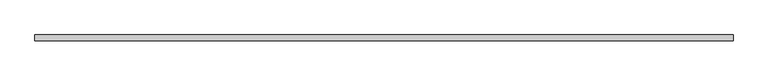
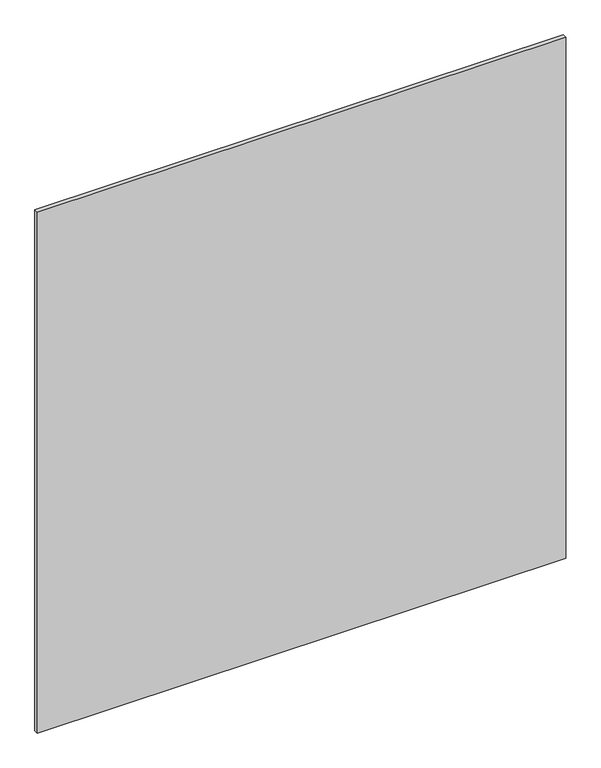
"""IFC4 building model written with IfcOpenShell, lengths in millimetres: plate geometry."""

from ifc_helpers import new_model, si_unit, origin, origin_with_axes, place, context, project, spatial, polyline, outline, extrude, source, transform, mapped, element, save


def plate_58997232(model_context):
    return source(origin(), model_context, "Body", "SweptSolid", [
        extrude(outline(polyline([(630.35, 5.2), (630.35, -5.2), (-630.35, -5.2), (-630.35, 5.2), (630.35, 5.2)])), origin_with_axes(), (0.0, 0.0, 1.0), 1313.8),
    ])


if __name__ == "__main__":
    model = new_model("IFC4")
    model_context = context("Model", 3, world=origin())
    ifc_project = project(units=[si_unit("LENGTHUNIT", "METRE", prefix="MILLI")], contexts=[model_context])
    site = spatial("IfcSite", under=ifc_project)
    building = spatial("IfcBuilding", under=site)
    placement = place(None, origin())
    plate_shape = plate_58997232(model_context)
    element("IfcPlate", 1, at=placement, inside=building, context=model_context, shape_type="MappedRepresentation", body=[
        mapped(plate_shape, transform((0.0, 0.0, 0.0), x_axis=(1.0, 0.0, 0.0), y_axis=(0.0, 1.0, 0.0), z_axis=(0.0, 0.0, 1.0))),
    ])
    save(model, "model.ifc")
